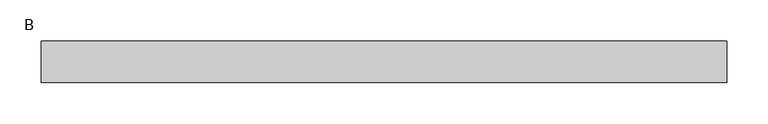
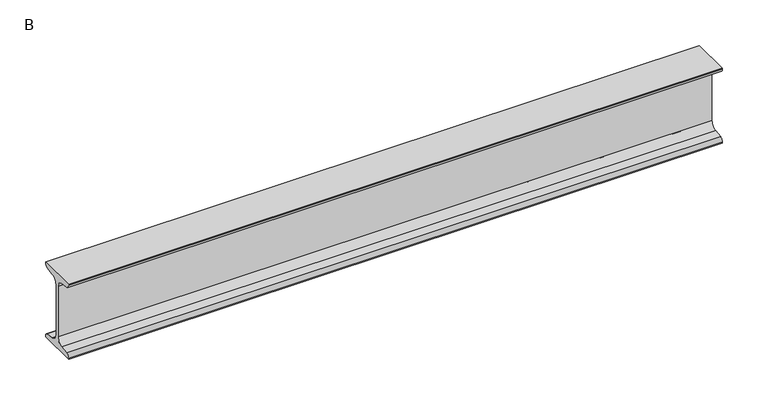
"""IFC4 building model written with IfcOpenShell, lengths in millimetres: beam geometry, B."""

from ifc_helpers import new_model, si_unit, point, frame, frame_2d, origin, place, context, project, spatial, polyline, circle_curve, trimmed, segment, composite_curve, outline, extrude, source, transform, mapped, element, save


def b_f4e2cd67(model_context):
    return source(origin(), model_context, "Body", "SweptSolid", [
        extrude(outline(composite_curve([segment(polyline([(25.0, 50.0), (25.0, 48.5034153)]), True, "CONTINUOUS"), segment(trimmed(circle_curve(frame_2d((20.5, 48.5034153)), 4.5), [point((25.0, 48.5034153))], [point((21.126279, 44.047209))], False, "CARTESIAN"), True, "CONTINUOUS"), segment(polyline([(21.126279, 44.047209), (10.0974421, 42.497207)]), True, "CONTINUOUS"), segment(trimmed(circle_curve(frame_2d((11.35, 33.5847944)), 9.0), [point((10.0974421, 42.497207))], [point((2.35, 33.5847944))], True, "CARTESIAN"), True, "CONTINUOUS"), segment(polyline([(2.35, 33.5847944), (2.35, -33.5847944)]), True, "CONTINUOUS"), segment(trimmed(circle_curve(frame_2d((11.35, -33.5847944)), 9.0), [point((2.35, -33.5847944))], [point((10.0974421, -42.497207))], True, "CARTESIAN"), True, "CONTINUOUS"), segment(polyline([(10.0974421, -42.497207), (21.126279, -44.047209)]), True, "CONTINUOUS"), segment(trimmed(circle_curve(frame_2d((20.5, -48.5034153)), 4.5), [point((21.126279, -44.047209))], [point((25.0, -48.5034153))], False, "CARTESIAN"), True, "CONTINUOUS"), segment(polyline([(25.0, -48.5034153), (25.0, -50.0), (-25.0, -50.0), (-25.0, -48.5034153)]), True, "CONTINUOUS"), segment(trimmed(circle_curve(frame_2d((-20.5, -48.5034153)), 4.5), [point((-25.0, -48.5034153))], [point((-21.126279, -44.047209))], False, "CARTESIAN"), True, "CONTINUOUS"), segment(polyline([(-21.126279, -44.047209), (-10.0974421, -42.497207)]), True, "CONTINUOUS"), segment(trimmed(circle_curve(frame_2d((-11.35, -33.5847944)), 9.0), [point((-10.0974421, -42.497207))], [point((-2.35, -33.5847944))], True, "CARTESIAN"), True, "CONTINUOUS"), segment(polyline([(-2.35, -33.5847944), (-2.35, 33.5847944)]), True, "CONTINUOUS"), segment(trimmed(circle_curve(frame_2d((-11.35, 33.5847944)), 9.0), [point((-2.35, 33.5847944))], [point((-10.0974421, 42.497207))], True, "CARTESIAN"), True, "CONTINUOUS"), segment(polyline([(-10.0974421, 42.497207), (-21.126279, 44.047209)]), True, "CONTINUOUS"), segment(trimmed(circle_curve(frame_2d((-20.5, 48.5034153)), 4.5), [point((-21.126279, 44.047209))], [point((-25.0, 48.5034153))], False, "CARTESIAN"), True, "CONTINUOUS"), segment(polyline([(-25.0, 48.5034153), (-25.0, 50.0), (25.0, 50.0)]), True, "CONTINUOUS")], self_intersect=False)), frame((-413.2, 0.0, 0.0), z_axis=(1.0, 0.0, 0.0), x_axis=(0.0, 1.0, 0.0)), (0.0, 0.0, 1.0), 826.4),
    ])


if __name__ == "__main__":
    model = new_model("IFC4")
    model_context = context("Model", 3, world=origin())
    ifc_project = project(units=[si_unit("LENGTHUNIT", "METRE", prefix="MILLI")], contexts=[model_context])
    site = spatial("IfcSite", under=ifc_project)
    building = spatial("IfcBuilding", under=site)
    placement = place(None, origin())
    b_shape = b_f4e2cd67(model_context)
    element("IfcBeam", 1, ObjectType="B", at=placement, inside=building, context=model_context, shape_type="MappedRepresentation", body=[
        mapped(b_shape, transform((0.0, 0.0, 0.0), x_axis=(1.0, 0.0, 0.0), y_axis=(0.0, 1.0, 0.0), z_axis=(0.0, 0.0, 1.0))),
    ])
    save(model, "model.ifc")
